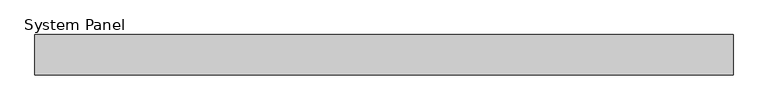
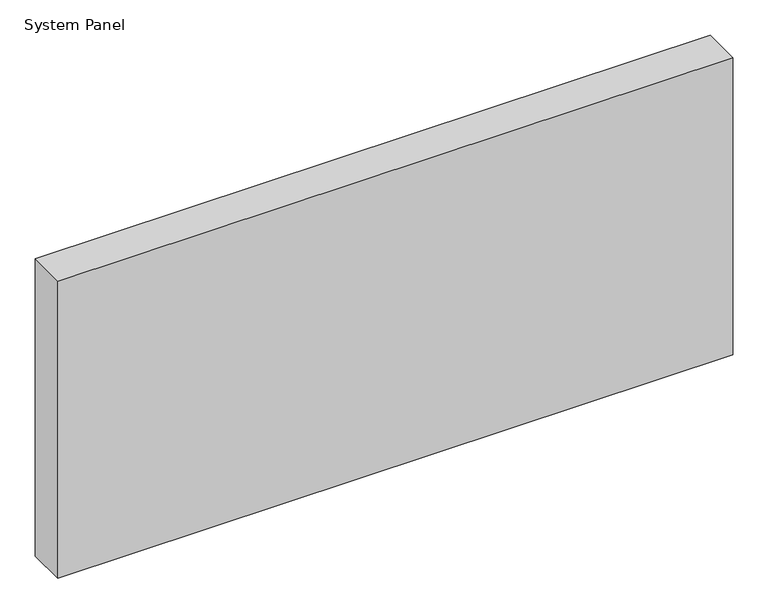
"""IFC4 building model written with IfcOpenShell, lengths in millimetres: plate geometry, System Panel."""

from ifc_helpers import new_model, si_unit, origin, origin_with_axes, place, context, project, spatial, polyline, outline, extrude, source, transform, mapped, element, save


def system_panel_019b3b2f(model_context):
    return source(origin(), model_context, "Body", "SweptSolid", [
        extrude(outline(polyline([(552.4499999, -44.45), (-552.4499999, -44.45), (-552.4499999, 19.05), (552.4499999, 19.05), (552.4499999, -44.45)])), origin_with_axes(), (0.0, 0.0, 1.0), 514.35),
    ])


if __name__ == "__main__":
    model = new_model("IFC4")
    model_context = context("Model", 3, world=origin())
    ifc_project = project(units=[si_unit("LENGTHUNIT", "METRE", prefix="MILLI")], contexts=[model_context])
    site = spatial("IfcSite", under=ifc_project)
    building = spatial("IfcBuilding", under=site)
    placement = place(None, origin())
    system_panel_shape = system_panel_019b3b2f(model_context)
    element("IfcPlate", 1, ObjectType="System Panel", at=placement, inside=building, context=model_context, shape_type="MappedRepresentation", body=[
        mapped(system_panel_shape, transform((0.0, 0.0, 0.0), x_axis=(1.0, 0.0, 0.0), y_axis=(0.0, 1.0, 0.0), z_axis=(0.0, 0.0, 1.0))),
    ])
    save(model, "model.ifc")
